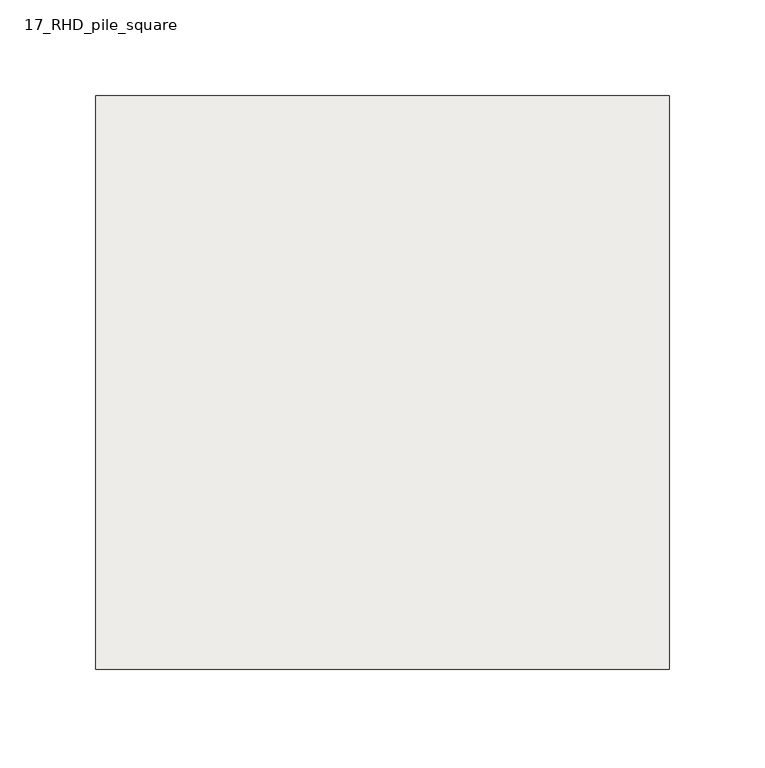
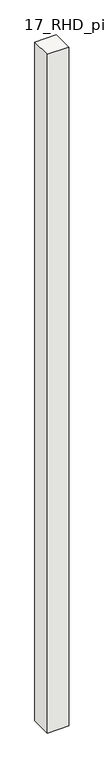
"""IFC4 building model written with IfcOpenShell, lengths in millimetres: slab geometry, 17_RHD_pile_square."""

from ifc_helpers import new_model, si_unit, frame, origin, place, context, project, spatial, polyline, outline, extrude, source, transform, mapped, element, save


def slab_17_rhd_pile_square_94632c40(model_context):
    return source(origin(), model_context, "Body", "SweptSolid", [
        extrude(outline(polyline([(150.0, 150.0), (150.0, -150.0), (-150.0, -150.0), (-150.0, 150.0), (150.0, 150.0)])), frame((0.0, 0.0, -10000.0), z_axis=(0.0, 0.0, 1.0), x_axis=(1.0, 0.0, 0.0)), (0.0, 0.0, 1.0), 10000.0),
    ])


if __name__ == "__main__":
    model = new_model("IFC4")
    model_context = context("Model", 3, world=origin())
    ifc_project = project(units=[si_unit("LENGTHUNIT", "METRE", prefix="MILLI")], contexts=[model_context])
    site = spatial("IfcSite", under=ifc_project)
    building = spatial("IfcBuilding", under=site)
    placement = place(None, origin())
    slab_17_rhd_pile_square_shape = slab_17_rhd_pile_square_94632c40(model_context)
    element("IfcSlab", 1, ObjectType="17_RHD_pile_square", at=placement, inside=building, context=model_context, shape_type="MappedRepresentation", body=[
        mapped(slab_17_rhd_pile_square_shape, transform((0.0, 0.0, 0.0), x_axis=(1.0, 0.0, 0.0), y_axis=(0.0, 1.0, 0.0), z_axis=(0.0, 0.0, 1.0))),
    ])
    save(model, "model.ifc")
